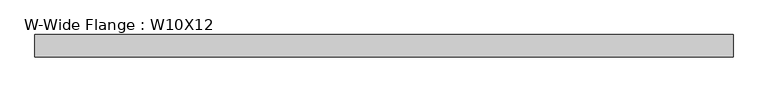
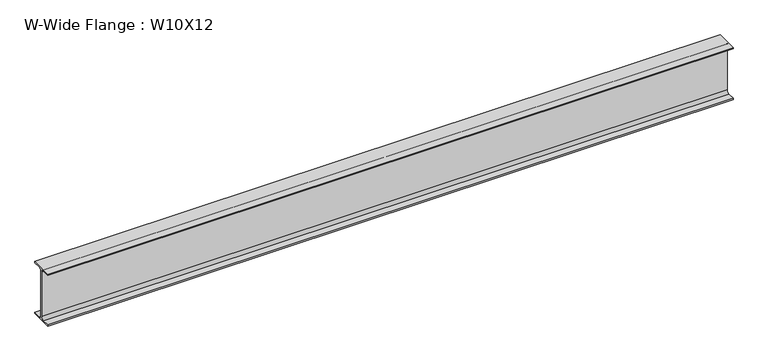
"""IFC4 building model written with IfcOpenShell, lengths in millimetres: beam geometry, W-Wide Flange : W10X12."""

from ifc_helpers import new_model, si_unit, point, frame, frame_2d, origin, place, context, project, spatial, polyline, circle_curve, trimmed, segment, composite_curve, outline, extrude, source, transform, mapped, element, save


def w_wide_flange_w10x12_db996fc6(model_context):
    return source(origin(), model_context, "Body", "SweptSolid", [
        extrude(outline(composite_curve([segment(polyline([(50.3039062, -120.0050781), (50.3039062, -125.3628906), (-50.3039063, -125.3628906), (-50.3039063, -120.0050781), (-16.1230469, -120.0050781)]), True, "CONTINUOUS"), segment(trimmed(circle_curve(frame_2d((-16.1230469, -106.3128906)), 13.6921875), [point((-16.1230469, -120.0050781))], [point((-2.4308594, -106.3128906))], True, "CARTESIAN"), True, "CONTINUOUS"), segment(polyline([(-2.4308594, -106.3128906), (-2.4308594, 106.3128906)]), True, "CONTINUOUS"), segment(trimmed(circle_curve(frame_2d((-16.1230469, 106.3128906)), 13.6921875), [point((-2.4308594, 106.3128906))], [point((-16.1230469, 120.0050781))], True, "CARTESIAN"), True, "CONTINUOUS"), segment(polyline([(-16.1230469, 120.0050781), (-50.3039063, 120.0050781), (-50.3039063, 125.3628906), (50.3039062, 125.3628906), (50.3039062, 120.0050781), (16.1230469, 120.0050781)]), True, "CONTINUOUS"), segment(trimmed(circle_curve(frame_2d((16.1230469, 106.3128906)), 13.6921875), [point((16.1230469, 120.0050781))], [point((2.4308594, 106.3128906))], True, "CARTESIAN"), True, "CONTINUOUS"), segment(polyline([(2.4308594, 106.3128906), (2.4308594, -106.3128906)]), True, "CONTINUOUS"), segment(trimmed(circle_curve(frame_2d((16.1230469, -106.3128906)), 13.6921875), [point((2.4308594, -106.3128906))], [point((16.1230469, -120.0050781))], True, "CARTESIAN"), True, "CONTINUOUS"), segment(polyline([(16.1230469, -120.0050781), (50.3039062, -120.0050781)]), True, "CONTINUOUS")], self_intersect=False)), frame((-1562.1, 0.0, 0.0), z_axis=(1.0, 0.0, 0.0), x_axis=(0.0, 1.0, 0.0)), (0.0, 0.0, 1.0), 3124.2),
    ])


if __name__ == "__main__":
    model = new_model("IFC4")
    model_context = context("Model", 3, world=origin())
    ifc_project = project(units=[si_unit("LENGTHUNIT", "METRE", prefix="MILLI")], contexts=[model_context])
    site = spatial("IfcSite", under=ifc_project)
    building = spatial("IfcBuilding", under=site)
    placement = place(None, origin())
    w_wide_flange_w10x12_shape = w_wide_flange_w10x12_db996fc6(model_context)
    element("IfcBeam", 1, ObjectType="W-Wide Flange : W10X12", at=placement, inside=building, context=model_context, shape_type="MappedRepresentation", body=[
        mapped(w_wide_flange_w10x12_shape, transform((0.0, 0.0, 0.0), x_axis=(1.0, 0.0, 0.0), y_axis=(0.0, 1.0, 0.0), z_axis=(0.0, 0.0, 1.0))),
    ])
    save(model, "model.ifc")
